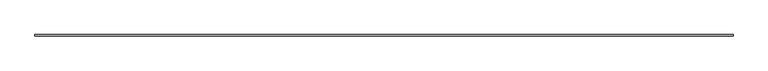
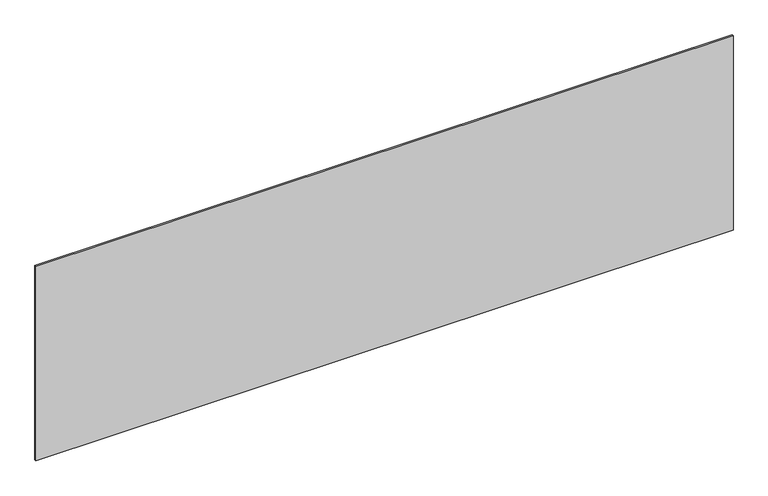
"""IFC4 building model written with IfcOpenShell, lengths in millimetres: plate geometry."""

from ifc_helpers import new_model, si_unit, origin, origin_with_axes, place, context, project, spatial, polyline, outline, extrude, source, transform, mapped, element, save


def plate_adb5a7d6(model_context):
    return source(origin(), model_context, "Body", "SweptSolid", [
        extrude(outline(polyline([(2206.6666667, -5.0), (-2206.6666667, -5.0), (-2206.6666667, 5.0), (2206.6666667, 5.0), (2206.6666667, -5.0)])), origin_with_axes(), (0.0, 0.0, 1.0), 1301.6065399),
    ])


if __name__ == "__main__":
    model = new_model("IFC4")
    model_context = context("Model", 3, world=origin())
    ifc_project = project(units=[si_unit("LENGTHUNIT", "METRE", prefix="MILLI")], contexts=[model_context])
    site = spatial("IfcSite", under=ifc_project)
    building = spatial("IfcBuilding", under=site)
    placement = place(None, origin())
    plate_shape = plate_adb5a7d6(model_context)
    element("IfcPlate", 1, at=placement, inside=building, context=model_context, shape_type="MappedRepresentation", body=[
        mapped(plate_shape, transform((0.0, 0.0, 0.0), x_axis=(1.0, 0.0, 0.0), y_axis=(0.0, 1.0, 0.0), z_axis=(0.0, 0.0, 1.0))),
    ])
    save(model, "model.ifc")
